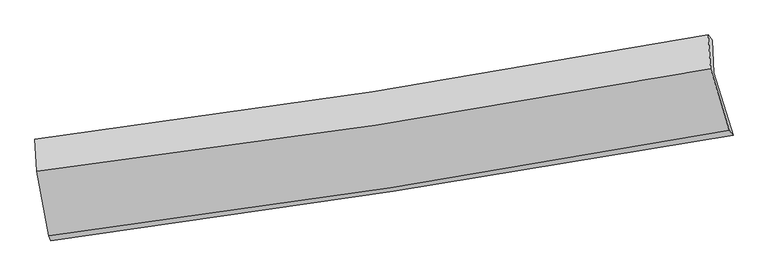
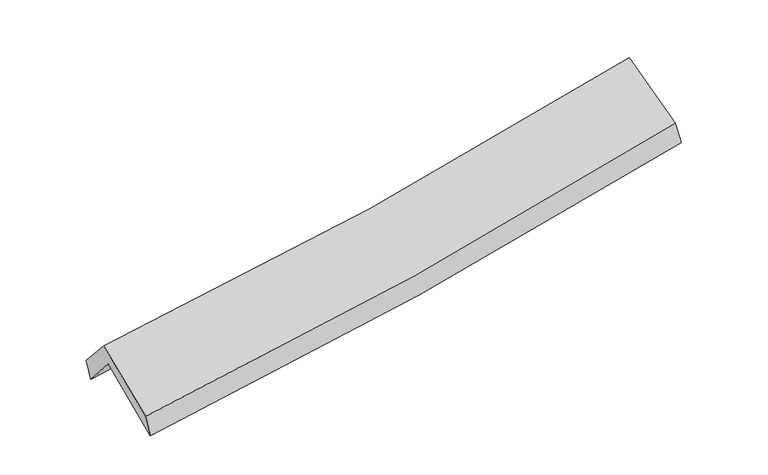
"""IFC4 building model written with IfcOpenShell, lengths in millimetres: proxy geometry."""

from ifc_helpers import new_model, si_unit, frame, origin, place, context, project, spatial, source, transform, mapped, element, save
from ifc_brep_helpers import plane_surface, spline_curve, spline_surface, advanced_brep


def generic_models_abfc5b91(model_context):
    return source(origin(), model_context, "Body", "AdvancedBrep", [
        advanced_brep(
        [(-2586.0566591, -2488.6960363, 1481.431391), (-2680.9415387, -1988.7140895, 1907.2499898), (2609.1228741, -1173.4527654, 2371.6336862), (2760.4755168, -1664.0136616, 1951.2184731), (-2694.4390898, -1735.696452, 1607.1574977), (2595.5069774, -918.2166859, 2068.9100029), (-2711.0120186, -1693.3869853, 1770.7979386), (2566.0161267, -876.6377305, 2237.9477351), (-2696.997159, -1944.6390133, 2059.6630079), (2584.1967596, -1142.3758239, 2521.0663996), (-2602.5442706, -2449.2032714, 1649.3825845), (2729.9866172, -1622.6764978, 2128.6368828)],
        [
            (0, 1),
            (1, 2, spline_curve(3, [(-2680.9415387, -1988.7140895, 1907.2499898), (-1794.309238174, -1866.744418627, 1954.879442894), (-909.95765616, -1737.787530692, 2017.416854781), (853.39305953, -1466.021229663, 2172.238146185), (1732.396281674, -1323.224343159, 2264.495299771), (2609.1228741, -1173.4527654, 2371.6336862)], [4, 2, 4], [0.0, 8.866440698393095, 17.72493026749853])),
            (2, 3),
            (3, 0, spline_curve(3, [(2760.4755168, -1664.0136616, 1951.2184731), (1875.574632058, -1818.064299083, 1840.839936726), (987.781004271, -1963.786058874, 1746.512102958), (-794.391192726, -2238.695141884, 1589.887582908), (-1688.774956745, -2367.867507378, 1527.619722378), (-2586.0566591, -2488.6960363, 1481.431391)], [4, 2, 4], [0.0, 8.858489569105434, 17.72493026749853])),
            (1, 4),
            (4, 5, spline_curve(3, [(-2694.4390898, -1735.696452, 1607.1574977), (-1807.982917893, -1610.425172296, 1650.871065137), (-923.729231568, -1479.633184097, 1711.231950067), (839.582175972, -1207.130031398, 1865.179295937), (1718.643845258, -1065.428764312, 1958.735912858), (2595.5069774, -918.2166859, 2068.9100029)], [4, 2, 4], [0.0, 8.819185171093675, 17.630461590085744])),
            (5, 2),
            (4, 6),
            (6, 7, spline_curve(3, [(-2711.0120186, -1693.3869853, 1770.7979386), (-1825.290172634, -1581.75171531, 1823.785433885), (-942.480944016, -1457.83560436, 1889.231380358), (816.523216384, -1185.56383634, 2044.970313767), (1692.723369592, -1037.230195994, 2135.240966076), (2566.0161267, -876.6377305, 2237.9477351)], [4, 2, 4], [0.0, 8.809065491390141, 17.610231305671043])),
            (7, 5),
            (6, 8),
            (8, 9, spline_curve(3, [(-2696.997159, -1944.6390133, 2059.6630079), (-1809.925920546, -1838.032172608, 2107.239581014), (-926.094839279, -1717.837403581, 2169.501983397), (834.297325009, -1450.391980895, 2323.329441787), (1710.864216373, -1303.165686955, 2414.868169881), (2584.1967596, -1142.3758239, 2521.0663996)], [4, 2, 4], [0.0, 8.800516056799768, 17.593140103339046])),
            (9, 7),
            (8, 10),
            (10, 11, spline_curve(3, [(-2602.5442706, -2449.2032714, 1649.3825845), (-1706.656806526, -2336.230971312, 1701.880755913), (-814.13766974, -2210.831120565, 1768.091763909), (963.366587651, -1935.299917067, 1927.867780244), (1848.357746978, -1785.190843194, 2021.408204998), (2729.9866172, -1622.6764978, 2128.6368828)], [4, 2, 4], [0.0, 8.847560858701181, 17.68718751892735])),
            (11, 9),
            (10, 0),
            (3, 11),
        ],
        [
            spline_surface(3, 3, [[(-2586.0566591, -2488.6960363, 1481.431391), (-1688.774956692, -2367.867507245, 1527.619722292), (-794.39119259, -2238.695141959, 1589.887582795), (987.781004135, -1963.786058799, 1746.512103071), (1875.574632044, -1818.064299225, 1840.839936604), (2760.4755168, -1664.0136616, 1951.2184731)], [(-2617.684952329, -2322.035387354, 1623.370923933), (-1723.953050538, -2200.826477739, 1670.039629142), (-832.913347093, -2071.725938181, 1732.397340121), (942.985022578, -1797.864449119, 1888.420784104), (1827.848515253, -1653.117647231, 1982.05839097), (2710.024635899, -1500.493362897, 2091.356877463)], [(-2649.313245471, -2155.374738446, 1765.310456867), (-1759.131144297, -2033.78544827, 1812.459535993), (-871.435501592, -1904.756734389, 1874.907097458), (898.189041024, -1631.942839424, 2030.329465148), (1780.122398464, -1488.170995145, 2123.276845349), (2659.573755001, -1336.973064103, 2231.495281837)], [(-2680.9415387, -1988.7140895, 1907.2499898), (-1794.309238143, -1866.744418764, 1954.879442842), (-909.957656096, -1737.787530611, 2017.416854784), (853.393059466, -1466.021229744, 2172.238146181), (1732.396281674, -1323.224343151, 2264.495299716), (2609.1228741, -1173.4527654, 2371.6336862)]], [4, 4], [4, 2, 4], [0.0, 2.193425151937584], [0.0, 8.866440698393095, 17.72493026749853]),
            spline_surface(3, 3, [[(-2680.9415387, -1988.7140895, 1907.2499898), (-1794.309238143, -1866.744418764, 1954.879442842), (-909.957656096, -1737.787530611, 2017.416854784), (853.393059466, -1466.021229744, 2172.238146181), (1732.396281674, -1323.224343151, 2264.495299716), (2609.1228741, -1173.4527654, 2371.6336862)], [(-2685.440722387, -1904.374877, 1807.219159106), (-1798.867131356, -1781.304669904, 1853.543316983), (-914.548181233, -1651.736081725, 1915.355219877), (848.789431563, -1379.724163652, 2069.88519609), (1727.812136179, -1237.292483528, 2162.575504089), (2604.584241866, -1088.374072228, 2270.725791755)], [(-2689.939906113, -1820.0356645, 1707.188328394), (-1803.425024609, -1695.864921043, 1752.207191107), (-919.138706294, -1565.684632876, 1813.293584987), (844.185803738, -1293.427097597, 1967.532246016), (1723.227990686, -1151.360623922, 2060.655708496), (2600.045609634, -1003.295379072, 2169.817897345)], [(-2694.4390898, -1735.696452, 1607.1574977), (-1807.982917822, -1610.425172184, 1650.871065248), (-923.729231431, -1479.633183991, 1711.231950079), (839.582175835, -1207.130031505, 1865.179295925), (1718.643845191, -1065.428764298, 1958.73591287), (2595.5069774, -918.2166859, 2068.9100029)]], [4, 4], [4, 2, 4], [0.0, 1.31659734941548], [0.0, 8.819185171093675, 17.630461590085744]),
            spline_surface(3, 3, [[(-2694.4390898, -1735.696452, 1607.1574977), (-1807.982917822, -1610.425172184, 1650.871065248), (-923.729231431, -1479.633183991, 1711.231950079), (839.582175835, -1207.130031505, 1865.179295925), (1718.643845191, -1065.428764298, 1958.73591287), (2595.5069774, -918.2166859, 2068.9100029)], [(-2699.963399397, -1721.593296427, 1661.704311337), (-1813.752002719, -1600.867353263, 1708.509188106), (-929.979802245, -1472.367324102, 1770.565093489), (831.895856011, -1199.941299842, 1925.109635206), (1710.003686633, -1056.029241525, 2017.570930637), (2585.676693849, -904.357034093, 2125.255913651)], [(-2705.487709003, -1707.490140873, 1716.251124963), (-1819.521087627, -1591.309534362, 1766.147310954), (-936.230373121, -1465.101464143, 1829.898236924), (824.209536126, -1192.752568108, 1985.039974511), (1701.363528027, -1046.629718774, 2076.40594835), (2575.846410251, -890.497382307, 2181.601824349)], [(-2711.0120186, -1693.3869853, 1770.7979386), (-1825.290172524, -1581.751715441, 1823.785433812), (-942.480943935, -1457.835604254, 1889.231380334), (816.523216303, -1185.563836446, 2044.970313791), (1692.723369469, -1037.230196, 2135.240966117), (2566.0161267, -876.6377305, 2237.9477351)]], [4, 4], [4, 2, 4], [0.0, 0.5951833672403727], [0.0, 8.809065491390141, 17.610231305671043]),
            spline_surface(3, 3, [[(-2711.0120186, -1693.3869853, 1770.7979386), (-1825.290172524, -1581.751715441, 1823.785433812), (-942.480943935, -1457.835604254, 1889.231380334), (816.523216303, -1185.563836446, 2044.970313791), (1692.723369469, -1037.230196, 2135.240966117), (2566.0161267, -876.6377305, 2237.9477351)], [(-2706.340398729, -1777.137661308, 1867.086295039), (-1820.16875522, -1667.178534493, 1918.27014958), (-937.018909036, -1544.502870681, 1982.654914712), (822.447919163, -1273.83988461, 2137.756689776), (1698.770318427, -1125.875359611, 2228.450034068), (2572.076337647, -965.217094973, 2332.320623272)], [(-2701.668778871, -1860.888337292, 1963.374651461), (-1815.047337928, -1752.605353521, 2012.75486533), (-931.556874095, -1631.170137109, 2076.078449076), (828.372622066, -1362.115932775, 2230.543065746), (1704.817267445, -1214.520523205, 2321.659102003), (2578.136548653, -1053.796459427, 2426.693511428)], [(-2696.997159, -1944.6390133, 2059.6630079), (-1809.925920624, -1838.032172574, 2107.239581097), (-926.094839196, -1717.837403536, 2169.501983454), (834.297324927, -1450.39198094, 2323.32944173), (1710.864216404, -1303.165686815, 2414.868169954), (2584.1967596, -1142.3758239, 2521.0663996)]], [4, 4], [4, 2, 4], [0.0, 1.258617861143595], [0.0, 8.800516056799768, 17.593140103339046]),
            spline_surface(3, 3, [[(-2696.997159, -1944.6390133, 2059.6630079), (-1809.925920624, -1838.032172574, 2107.239581097), (-926.094839196, -1717.837403536, 2169.501983454), (834.297324927, -1450.39198094, 2323.32944173), (1710.864216404, -1303.165686815, 2414.868169954), (2584.1967596, -1142.3758239, 2521.0663996)], [(-2665.512862883, -2112.827099328, 1922.902866757), (-1775.50288257, -2004.098438858, 1972.119972695), (-888.775782713, -1882.168642589, 2035.69857695), (877.320412516, -1612.0279596, 2191.508887854), (1756.695393261, -1463.840738902, 2283.714848247), (2632.79337881, -1302.476048508, 2390.256560655)], [(-2634.028566717, -2281.015185372, 1786.142725643), (-1741.079844467, -2170.16470516, 1837.000364323), (-851.456726248, -2046.49988165, 1901.8951705), (920.343500087, -1773.663938269, 2059.688334033), (1802.526570089, -1624.515791063, 2152.561526576), (2681.38999799, -1462.576273192, 2259.446721745)], [(-2602.5442706, -2449.2032714, 1649.3825845), (-1706.656806414, -2336.230971445, 1701.880755922), (-814.137669765, -2210.831120703, 1768.091763996), (963.366587676, -1935.299916929, 1927.867780157), (1848.357746946, -1785.190843149, 2021.408204869), (2729.9866172, -1622.6764978, 2128.6368828)]], [4, 4], [4, 2, 4], [0.0, 2.1067779186889695], [0.0, 8.847560858701181, 17.68718751892735]),
            spline_surface(3, 3, [[(-2602.5442706, -2449.2032714, 1649.3825845), (-1706.656806414, -2336.230971445, 1701.880755922), (-814.137669765, -2210.831120703, 1768.091763996), (963.366587676, -1935.299916929, 1927.867780157), (1848.357746946, -1785.190843149, 2021.408204869), (2729.9866172, -1622.6764978, 2128.6368828)], [(-2597.048400075, -2462.367526383, 1593.398853329), (-1700.696189815, -2346.776483394, 1643.793744707), (-807.555510692, -2220.119127776, 1708.690370293), (971.50472651, -1944.79529754, 1867.415887826), (1857.430041974, -1796.148661842, 1961.218782118), (2740.149583728, -1636.455552401, 2069.497412904)], [(-2591.552529625, -2475.531781317, 1537.415122171), (-1694.735573291, -2357.321995295, 1585.706733507), (-800.973351663, -2229.407134886, 1649.288976497), (979.642865301, -1954.290678188, 1806.963995402), (1866.502337016, -1807.106480532, 1901.029359355), (2750.312550272, -1650.234606999, 2010.357942996)], [(-2586.0566591, -2488.6960363, 1481.431391), (-1688.774956692, -2367.867507245, 1527.619722292), (-794.39119259, -2238.695141959, 1589.887582795), (987.781004135, -1963.786058799, 1746.512103071), (1875.574632044, -1818.064299225, 1840.839936604), (2760.4755168, -1664.0136616, 1951.2184731)]], [4, 4], [4, 2, 4], [0.0, 0.6014020920848796], [0.0, 8.903423693575315, 17.798863092742245]),
            plane_surface(frame((2640.8841453, -1232.8955275, 2213.2355299), z_axis=(0.9730325888085019, 0.19605366215794987, 0.12153412142720173), x_axis=(0.22882004339586964, -0.7538413358438646, -0.6159258300424252))),
            plane_surface(frame((-2661.998456, -2050.0559746, 1745.9470683), z_axis=(-0.9891266410224795, -0.1313119116758991, -0.06622439030755892), x_axis=(-0.09512926062958278, 0.22786305420227593, 0.9690350108750868))),
        ],
        [
            (0, [[1, 2, 3, 4]]),
            (1, [[5, 6, 7, -2]]),
            (2, [[8, 9, 10, -6]]),
            (3, [[11, 12, 13, -9]]),
            (4, [[14, 15, 16, -12]]),
            (5, [[17, -4, 18, -15]]),
            (6, [[-16, -18, -3, -7, -10, -13]]),
            (7, [[-17, -14, -11, -8, -5, -1]]),
        ],
    ),
    ])


if __name__ == "__main__":
    model = new_model("IFC4")
    model_context = context("Model", 3, world=origin())
    ifc_project = project(units=[si_unit("LENGTHUNIT", "METRE", prefix="MILLI")], contexts=[model_context])
    site = spatial("IfcSite", under=ifc_project)
    building = spatial("IfcBuilding", under=site)
    placement = place(None, origin())
    generic_models_shape = generic_models_abfc5b91(model_context)
    element("IfcBuildingElementProxy", 1, Name="Generic Models", at=placement, inside=building, context=model_context, shape_type="MappedRepresentation", body=[
        mapped(generic_models_shape, transform((0.0, 0.0, 0.0), x_axis=(1.0, 0.0, 0.0), y_axis=(0.0, 1.0, 0.0), z_axis=(0.0, 0.0, 1.0))),
    ])
    save(model, "model.ifc")
